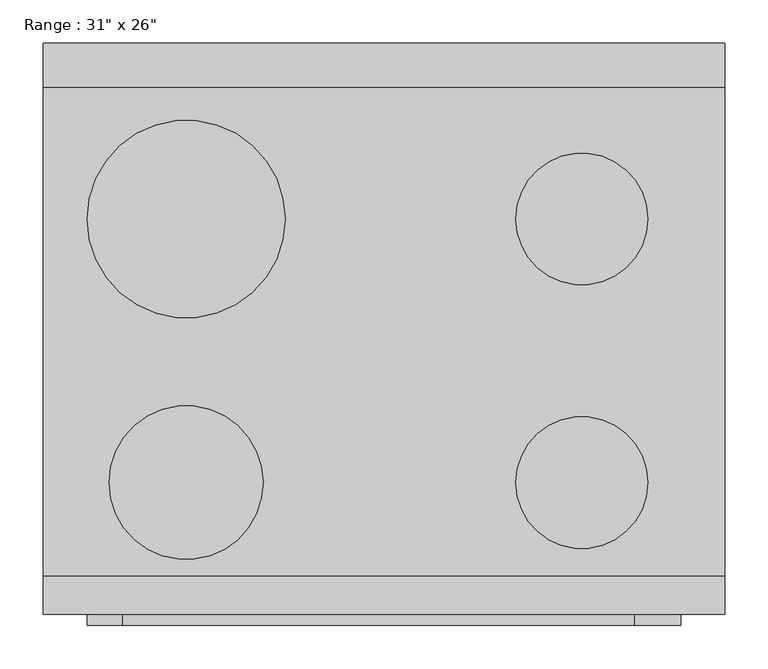
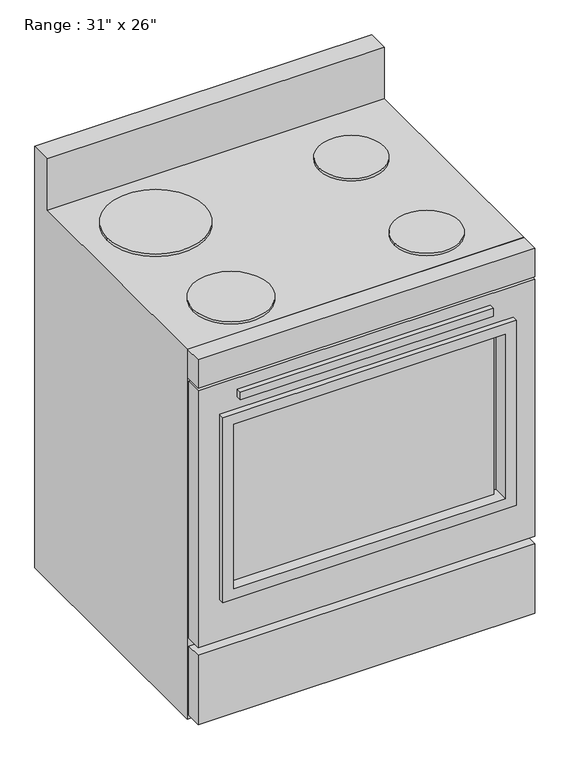
"""IFC4 building model written with IfcOpenShell, lengths in millimetres: proxy geometry."""

from ifc_helpers import new_model, si_unit, point, frame, frame_2d, origin, place, context, project, spatial, polyline, circle_curve, trimmed, segment, composite_curve, outline, extrude, faceted_brep, source, transform, mapped, element, save


def proxy_a4bc5afd(model_context):
    return source(origin(), model_context, "Body", "SolidModel", [
        faceted_brep([(787.4, 660.4, 0.0), (0.0, 660.4, 0.0), (0.0, 660.4, 1041.4), (787.4, 660.4, 1041.4), (762.0, 660.4, 889.2220355), (25.4, 660.4, 889.2220355), (25.4, 660.4, 254.0), (762.0, 660.4, 254.0), (787.4, 44.45, 914.4), (0.0, 44.45, 914.4), (0.0, 44.45, 0.0), (787.4, 44.45, 0.0), (762.0, 44.45, 889.2220355), (762.0, 44.45, 254.0), (25.4, 44.45, 254.0), (25.4, 44.45, 889.2220355), (787.4, 609.6, 1041.4), (787.4, 609.6, 914.4), (0.0, 609.6, 914.4), (0.0, 609.6, 1041.4)], [[[0, 1, 2, 3], [4, 5, 6, 7]], [[8, 9, 10, 11], [12, 13, 14, 15]], [[0, 3, 16, 17, 8, 11]], [[1, 0, 11, 10]], [[2, 1, 10, 9, 18, 19]], [[9, 8, 17, 18]], [[5, 4, 12, 15]], [[6, 5, 15, 14]], [[7, 6, 14, 13]], [[4, 7, 13, 12]], [[16, 3, 2, 19]], [[17, 16, 19, 18]]]),
        extrude(outline(polyline([(682.625, -12.7), (91.687309, -12.7), (91.687309, 0.0), (682.625, 0.0), (682.625, -12.7)])), frame((0.0, 0.0, 791.2768639), z_axis=(0.0, 0.0, 1.0), x_axis=(1.0, 0.0, 0.0)), (0.0, 0.0, 1.0), 19.05),
        extrude(outline(polyline([(698.5, 12.7), (76.2, 12.7), (76.2, 19.05), (698.5, 19.05), (698.5, 12.7)])), frame((0.0, 0.0, 330.2), z_axis=(0.0, 0.0, 1.0), x_axis=(1.0, 0.0, 0.0)), (0.0, 0.0, 1.0), 406.4),
        extrude(outline(polyline([(787.4, 0.0), (0.0, 0.0), (0.0, 44.45), (787.4, 44.45), (787.4, 0.0)])), frame((0.0, 0.0, 844.7720355), z_axis=(0.0, 0.0, 1.0), x_axis=(1.0, 0.0, 0.0)), (0.0, 0.0, 1.0), 69.6279645),
        extrude(outline(polyline([(762.0, 736.6), (762.0, 50.8), (304.8, 50.8), (304.8, 736.6), (762.0, 736.6)]), holes=[polyline([(736.6, 711.2), (330.2, 711.2), (330.2, 76.2), (736.6, 76.2), (736.6, 711.2)])]), frame((0.0, -12.7, 0.0), z_axis=(0.0, 1.0, 0.0), x_axis=(0.0, 0.0, 1.0)), (0.0, 0.0, 1.0), 38.1),
        extrude(outline(composite_curve([segment(trimmed(circle_curve(frame_2d((165.1, 457.2)), 114.3), [point((50.8, 457.2))], [point((279.4, 457.2))], False, "CARTESIAN"), True, "CONTINUOUS"), segment(trimmed(circle_curve(frame_2d((165.1, 457.2)), 114.3), [point((279.4, 457.2))], [point((50.8, 457.2))], False, "CARTESIAN"), True, "CONTINUOUS")], self_intersect=False)), frame((0.0, 0.0, 914.4), z_axis=(0.0, 0.0, 1.0), x_axis=(1.0, 0.0, 0.0)), (0.0, 0.0, 1.0), 6.35),
        extrude(outline(composite_curve([segment(trimmed(circle_curve(frame_2d((622.3, 457.2)), 76.2), [point((546.1, 457.2))], [point((698.5, 457.2))], False, "CARTESIAN"), True, "CONTINUOUS"), segment(trimmed(circle_curve(frame_2d((622.3, 457.2)), 76.2), [point((698.5, 457.2))], [point((546.1, 457.2))], False, "CARTESIAN"), True, "CONTINUOUS")], self_intersect=False)), frame((0.0, 0.0, 914.4), z_axis=(0.0, 0.0, 1.0), x_axis=(1.0, 0.0, 0.0)), (0.0, 0.0, 1.0), 6.35),
        extrude(outline(composite_curve([segment(trimmed(circle_curve(frame_2d((622.3, 152.4)), 76.2), [point((546.1, 152.4))], [point((698.5, 152.4))], False, "CARTESIAN"), True, "CONTINUOUS"), segment(trimmed(circle_curve(frame_2d((622.3, 152.4)), 76.2), [point((698.5, 152.4))], [point((546.1, 152.4))], False, "CARTESIAN"), True, "CONTINUOUS")], self_intersect=False)), frame((0.0, 0.0, 914.4), z_axis=(0.0, 0.0, 1.0), x_axis=(1.0, 0.0, 0.0)), (0.0, 0.0, 1.0), 6.35),
        extrude(outline(composite_curve([segment(trimmed(circle_curve(frame_2d((165.1, 152.4)), 88.9), [point((76.2, 152.4))], [point((254.0, 152.4))], False, "CARTESIAN"), True, "CONTINUOUS"), segment(trimmed(circle_curve(frame_2d((165.1, 152.4)), 88.9), [point((254.0, 152.4))], [point((76.2, 152.4))], False, "CARTESIAN"), True, "CONTINUOUS")], self_intersect=False)), frame((0.0, 0.0, 914.4), z_axis=(0.0, 0.0, 1.0), x_axis=(1.0, 0.0, 0.0)), (0.0, 0.0, 1.0), 6.35),
        extrude(outline(polyline([(25.4, 660.4), (762.0, 660.4), (762.0, 635.0), (25.4, 635.0), (25.4, 660.4)])), frame((0.0, 0.0, 254.0), z_axis=(0.0, 0.0, 1.0), x_axis=(1.0, 0.0, 0.0)), (0.0, 0.0, 1.0), 635.2220355),
        extrude(outline(polyline([(838.4220355, 787.4), (838.4220355, 0.0), (203.2, 0.0), (203.2, 787.4), (838.4220355, 787.4)]), holes=[polyline([(762.0, 736.6), (304.8, 736.6), (304.8, 50.8), (762.0, 50.8), (762.0, 736.6)])]), frame((0.0, 0.0, 0.0), z_axis=(0.0, 1.0, 0.0), x_axis=(0.0, 0.0, 1.0)), (0.0, 0.0, 1.0), 38.1),
        extrude(outline(polyline([(787.4, 0.0), (0.0, 0.0), (0.0, 38.1), (787.4, 38.1), (787.4, 0.0)])), frame((0.0, 0.0, 12.7), z_axis=(0.0, 0.0, 1.0), x_axis=(1.0, 0.0, 0.0)), (0.0, 0.0, 1.0), 171.45),
    ])


if __name__ == "__main__":
    model = new_model("IFC4")
    model_context = context("Model", 3, world=origin())
    ifc_project = project(units=[si_unit("LENGTHUNIT", "METRE", prefix="MILLI")], contexts=[model_context])
    site = spatial("IfcSite", under=ifc_project)
    building = spatial("IfcBuilding", under=site)
    placement = place(None, origin())
    proxy_shape = proxy_a4bc5afd(model_context)
    element("IfcBuildingElementProxy", 1, Name="Range : 31\" x 26\"", ObjectType="Range : 31\" x 26\"", at=placement, inside=building, context=model_context, shape_type="MappedRepresentation", body=[
        mapped(proxy_shape, transform((0.0, 0.0, 0.0), x_axis=(1.0, 0.0, 0.0), y_axis=(0.0, 1.0, 0.0), z_axis=(0.0, 0.0, 1.0))),
    ])
    save(model, "model.ifc")
